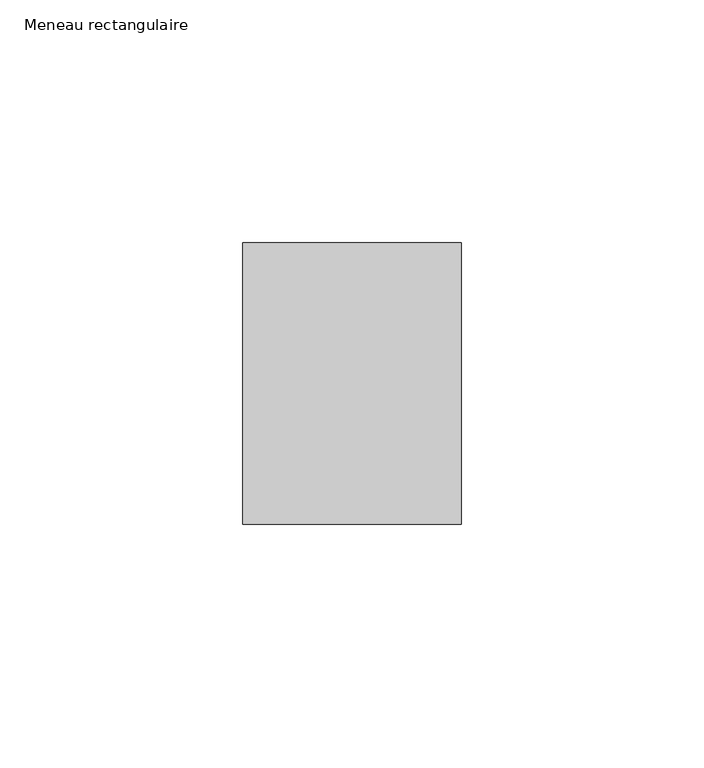
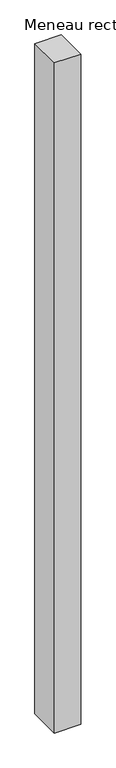
"""IFC4 building model written with IfcOpenShell, lengths in millimetres: member geometry, Meneau rectangulaire."""

from ifc_helpers import new_model, si_unit, frame, origin, place, context, project, spatial, polyline, outline, extrude, source, transform, mapped, element, save


def meneau_rectangulaire_20351025(model_context):
    return source(origin(), model_context, "Body", "SweptSolid", [
        extrude(outline(polyline([(0.0, 29.0), (0.0, -29.0), (-45.0, -29.0), (-45.0, 29.0), (0.0, 29.0)])), frame((0.0, 0.0, -1216.3749998), z_axis=(0.0, 0.0, 1.0), x_axis=(1.0, 0.0, 0.0)), (0.0, 0.0, 1.0), 1216.3749998),
    ])


if __name__ == "__main__":
    model = new_model("IFC4")
    model_context = context("Model", 3, world=origin())
    ifc_project = project(units=[si_unit("LENGTHUNIT", "METRE", prefix="MILLI")], contexts=[model_context])
    site = spatial("IfcSite", under=ifc_project)
    building = spatial("IfcBuilding", under=site)
    placement = place(None, origin())
    meneau_rectangulaire_shape = meneau_rectangulaire_20351025(model_context)
    element("IfcMember", 1, ObjectType="Meneau rectangulaire", at=placement, inside=building, context=model_context, shape_type="MappedRepresentation", body=[
        mapped(meneau_rectangulaire_shape, transform((0.0, 0.0, 0.0), x_axis=(1.0, 0.0, 0.0), y_axis=(0.0, 1.0, 0.0), z_axis=(0.0, 0.0, 1.0))),
    ])
    save(model, "model.ifc")
